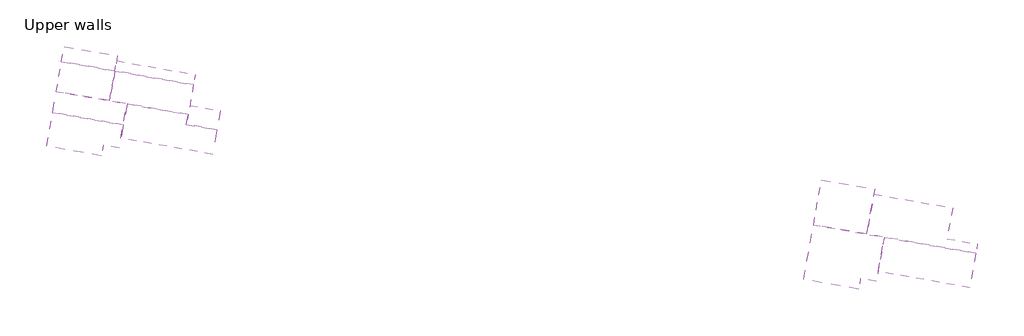
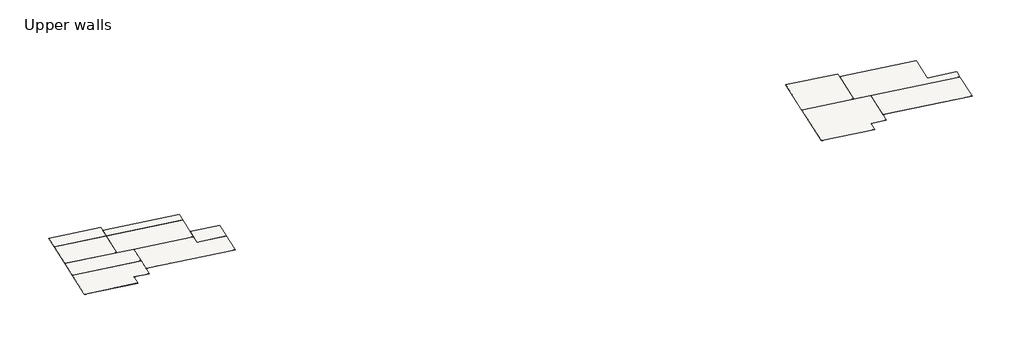
# One storey: 12 slabs.
"""IFC4 building model written with IfcOpenShell, lengths in millimetres."""

from ifc_helpers import new_model, si_unit, frame, origin, place, context, project, spatial, polyline, outline, extrude, element, save

model = new_model("IFC4")

# Units and contexts
model_context = context("Model", 3, world=origin())
ifc_project = project(units=[si_unit("LENGTHUNIT", "METRE", prefix="MILLI")], contexts=[model_context])

# Site, building, storey
site = spatial("IfcSite", under=ifc_project)
building = spatial("IfcBuilding", under=site)
storey = spatial("IfcBuildingStorey", under=building, Name="Upper walls", Elevation=2400.0)

# Slabs
placement = place(None, origin())
element("IfcSlab", 1, ObjectType="Adhesive5Tile9350x350", at=placement, inside=storey, context=model_context, shape_type="SweptSolid", body=[
    extrude(outline(polyline([(177880.0477392, -39013.6589522), (179137.0780724, -31884.6856768), (188344.0457553, -33508.1224898), (187333.3801952, -39239.8917067), (185265.2839138, -38875.2305336), (185018.9191408, -40272.4345921), (177880.0477392, -39013.6589522)])), frame((0.0, 0.0, 9386.0), z_axis=(0.0, 0.0, 1.0), x_axis=(1.0, 0.0, 0.0)), (0.0, 0.0, 1.0), 14.0),
])
element("IfcSlab", 2, ObjectType="Adhesive5Tile9350x350", at=placement, inside=storey, context=model_context, shape_type="SweptSolid", body=[
    extrude(outline(polyline([(187555.690322, -37979.1083261), (188344.0457553, -33508.1224898), (200267.4018514, -35610.5318701), (199479.0464181, -40081.5177064), (187555.690322, -37979.1083261)])), frame((0.0, 0.0, 9386.0), z_axis=(0.0, 0.0, 1.0), x_axis=(1.0, 0.0, 0.0)), (0.0, 0.0, 1.0), 14.0),
])
element("IfcSlab", 3, ObjectType="Adhesive5Tile9350x350", at=placement, inside=storey, context=model_context, shape_type="SweptSolid", body=[
    extrude(outline(polyline([(180189.7289077, -26038.6196973), (187124.2527006, -27261.3633404), (186092.7752319, -33111.1627556), (179158.2514391, -31888.4191126), (180189.7289077, -26038.6196973)])), frame((0.0, 0.0, 9386.0), z_axis=(0.0, 0.0, 1.0), x_axis=(1.0, 0.0, 0.0)), (0.0, 0.0, 1.0), 14.0),
])
element("IfcSlab", 4, ObjectType="Adhesive5Tile9350x350", at=placement, inside=storey, context=model_context, shape_type="SweptSolid", body=[
    extrude(outline(polyline([(187011.3813851, -27901.4883798), (197239.5947079, -29704.9983531), (196533.7148657, -33708.2418691), (200480.1281624, -34404.1010103), (200267.4018514, -35610.5318701), (186092.7752319, -33111.1627556), (187011.3813851, -27901.4883798)])), frame((0.0, 0.0, 9386.0), z_axis=(0.0, 0.0, 1.0), x_axis=(1.0, 0.0, 0.0)), (0.0, 0.0, 1.0), 14.0),
])
element("IfcSlab", 5, ObjectType="Adhesive5Tile9350x350", at=placement, inside=storey, context=model_context, shape_type="SweptSolid", body=[
    extrude(outline(polyline([(89882.4432688, -16143.9869267), (97859.3860682, -17550.5371658), (97633.0815611, -18833.9738028), (101563.2455299, -19526.9677491), (101000.7331363, -22717.1340602), (89093.6263681, -20617.5898748), (89882.4432688, -16143.9869267)])), frame((0.0, 0.0, 9386.0), z_axis=(0.0, 0.0, 1.0), x_axis=(1.0, 0.0, 0.0)), (0.0, 0.0, 1.0), 14.0),
])
element("IfcSlab", 6, ObjectType="Adhesive5Tile9350x350", at=placement, inside=storey, context=model_context, shape_type="SweptSolid", body=[
    extrude(outline(polyline([(89882.4232151, -16144.1006567), (89398.3617314, -18889.349749), (80193.8560679, -17266.3470565), (80677.9175516, -14521.0979641), (89882.4232151, -16144.1006567)])), frame((0.0, 0.0, 9386.0), z_axis=(0.0, 0.0, 1.0), x_axis=(1.0, 0.0, 0.0)), (0.0, 0.0, 1.0), 14.0),
])
element("IfcSlab", 7, ObjectType="Adhesive5Tile9350x350", at=placement, inside=storey, context=model_context, shape_type="SweptSolid", body=[
    extrude(outline(polyline([(87612.4413444, -15743.8416072), (88296.6151645, -11863.6990603), (98524.8284872, -13667.2090336), (97840.6546672, -17547.3515804), (87612.4413444, -15743.8416072)])), frame((0.0, 0.0, 9386.0), z_axis=(0.0, 0.0, 1.0), x_axis=(1.0, 0.0, 0.0)), (0.0, 0.0, 1.0), 14.0),
])
element("IfcSlab", 8, ObjectType="Adhesive5Tile9350x350", at=placement, inside=storey, context=model_context, shape_type="SweptSolid", body=[
    extrude(outline(polyline([(87612.4413444, -15743.8416072), (80677.9175516, -14521.0979641), (81362.0913716, -10640.9554173), (88296.6151645, -11863.6990603), (87612.4413444, -15743.8416072)])), frame((0.0, 0.0, 9386.0), z_axis=(0.0, 0.0, 1.0), x_axis=(1.0, 0.0, 0.0)), (0.0, 0.0, 1.0), 14.0),
])
element("IfcSlab", 9, ObjectType="Adhesive5Tile9350x350", at=placement, inside=storey, context=model_context, shape_type="SweptSolid", body=[
    extrude(outline(polyline([(81706.4915871, -8673.3678102), (88643.4773993, -9896.5455737), (88296.6151645, -11863.6990603), (81359.6293522, -10640.5212968), (81706.4915871, -8673.3678102)])), frame((0.0, 0.0, 9386.0), z_axis=(0.0, 0.0, 1.0), x_axis=(1.0, 0.0, 0.0)), (0.0, 0.0, 1.0), 14.0),
])
element("IfcSlab", 10, ObjectType="Adhesive5Tile9350x350", at=placement, inside=storey, context=model_context, shape_type="SweptSolid", body=[
    extrude(outline(polyline([(88530.6060839, -10536.6706131), (98758.8194066, -12340.1805864), (98524.8284872, -13667.2090336), (88296.6151645, -11863.6990603), (88530.6060839, -10536.6706131)])), frame((0.0, 0.0, 9386.0), z_axis=(0.0, 0.0, 1.0), x_axis=(1.0, 0.0, 0.0)), (0.0, 0.0, 1.0), 14.0),
])
element("IfcSlab", 11, ObjectType="Adhesive5Tile9350x350", at=placement, inside=storey, context=model_context, shape_type="SweptSolid", body=[
    extrude(outline(polyline([(98051.7140122, -16350.3745545), (102000.5893283, -17046.6678162), (101563.2455299, -19526.9677491), (97614.3702138, -18830.6744874), (98051.7140122, -16350.3745545)])), frame((0.0, 0.0, 9386.0), z_axis=(0.0, 0.0, 1.0), x_axis=(1.0, 0.0, 0.0)), (0.0, 0.0, 1.0), 14.0),
])
element("IfcSlab", 12, ObjectType="Adhesive5Tile9350x350", at=placement, inside=storey, context=model_context, shape_type="SweptSolid", body=[
    extrude(outline(polyline([(80191.5503318, -17265.0266091), (89379.8066674, -18885.1641067), (88852.6048939, -21875.07394), (86784.5086126, -21510.4127669), (86537.7081875, -22910.087531), (79417.5481332, -21654.6112065), (80191.5503318, -17265.0266091)])), frame((0.0, 0.0, 9386.0), z_axis=(0.0, 0.0, 1.0), x_axis=(1.0, 0.0, 0.0)), (0.0, 0.0, 1.0), 14.0),
])

save(model, "model.ifc")
